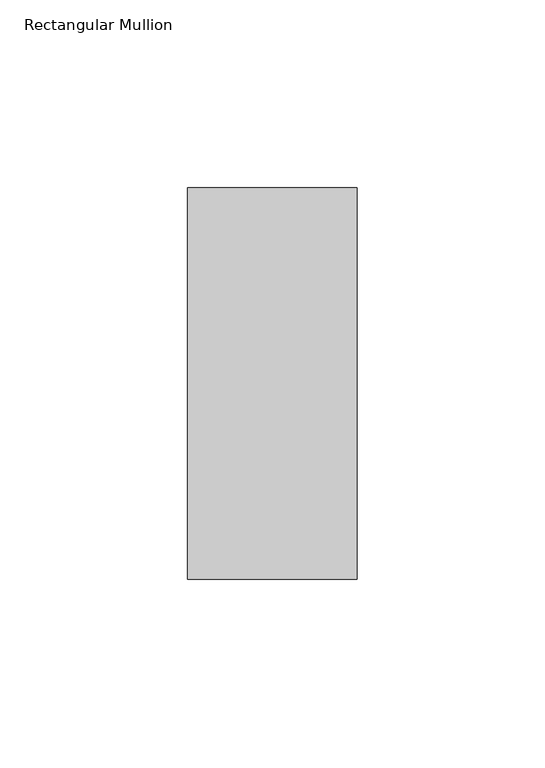
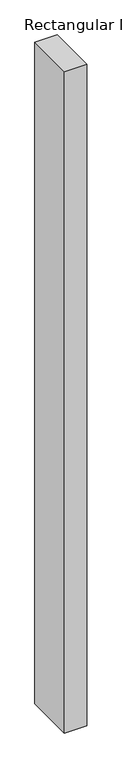
"""IFC4 building model written with IfcOpenShell, lengths in millimetres: member geometry, Rectangular Mullion."""

import ifcopenshell
import ifcopenshell.guid

model = None  # the IFC model being written
_history = None  # IfcOwnerHistory: only IFC2X3 demands one
_inside = {}  # id of a spatial element -> (the spatial element, [elements in it])
_under = {}  # id of a project, library or spatial element -> (it, [spatial elements below it])
_declared = {}  # id of a project -> (the project, [libraries it declares])
_typed = {}  # id of a type object -> (the type object, [elements of that type])
_made_of = {}  # id of a material, layer set ... -> (it, [elements and type objects made of it])


def new_model(schema):
    """Start an empty IFC model of exactly this schema.

    Asked for "IFC4X3", IfcOpenShell would pick the latest addendum, in which some entities
    have other attributes; the version numbers below select the first issue.
    IFC2X3 requires an IfcOwnerHistory on every rooted entity: one is made here for all.
    """
    global model, _history
    if schema == "IFC4X3":
        model = ifcopenshell.file(schema_version=(4, 3, 0, 0))
    else:
        model = ifcopenshell.file(schema=schema)
    _inside.clear()
    _under.clear()
    _declared.clear()
    _typed.clear()
    _made_of.clear()
    _history = None
    if model.schema == "IFC2X3":
        org = make("IfcOrganization", Name="unknown")
        user = make(
            "IfcPersonAndOrganization",
            ThePerson=make("IfcPerson", FamilyName="unknown"),
            TheOrganization=org,
        )
        app = make(
            "IfcApplication",
            ApplicationDeveloper=org,
            Version="unknown",
            ApplicationFullName="unknown",
            ApplicationIdentifier="unknown",
        )
        _history = make(
            "IfcOwnerHistory",
            OwningUser=user,
            OwningApplication=app,
            ChangeAction="ADDED",
            CreationDate=0,
        )
    return model


def make(cls, **values):
    """One entity of the class cls with the attributes given. An attribute that is None is left unset."""
    return model.create_entity(
        cls, **{name: value for name, value in values.items() if value is not None}
    )


def rooted(cls, **values):
    """An entity with a GlobalId (a new one), such as an element, a storey or a relation."""
    return make(cls, GlobalId=ifcopenshell.guid.new(), OwnerHistory=_history, **values)


def si_unit(unit_type, name, prefix=None):
    """IfcSIUnit, for example si_unit("LENGTHUNIT", "METRE", prefix="MILLI")."""
    return make("IfcSIUnit", UnitType=unit_type, Prefix=prefix, Name=name)


def assignment(units):
    """IfcUnitAssignment: the units of a project."""
    return None if units is None else make("IfcUnitAssignment", Units=units)


def point(xyz):
    """IfcCartesianPoint."""
    return None if xyz is None else make("IfcCartesianPoint", Coordinates=xyz)


def direction(xyz):
    """IfcDirection."""
    return None if xyz is None else make("IfcDirection", DirectionRatios=xyz)


def frame(location, z_axis=None, x_axis=None):
    """IfcAxis2Placement3D, a coordinate frame: its origin and axes. An axis left out is left unset."""
    return make(
        "IfcAxis2Placement3D",
        Location=point(location),
        Axis=direction(z_axis),
        RefDirection=direction(x_axis),
    )


def origin():
    """The frame at (0, 0, 0) with its axes left unset."""
    return frame((0.0, 0.0, 0.0))


def place(relative_to, where):
    """IfcLocalPlacement: puts the frame where relative to a parent placement (None: the world)."""
    return make(
        "IfcLocalPlacement", PlacementRelTo=relative_to, RelativePlacement=where
    )


def context(
    kind, dimensions, precision=None, world=None, true_north=None, identifier=None
):
    """IfcGeometricRepresentationContext, for example the 3D "Model" context."""
    return make(
        "IfcGeometricRepresentationContext",
        ContextIdentifier=identifier,
        ContextType=kind,
        CoordinateSpaceDimension=dimensions,
        Precision=precision,
        WorldCoordinateSystem=world,
        TrueNorth=true_north,
    )


def project(units=None, contexts=None):
    """IfcProject with its units and contexts."""
    return rooted(
        "IfcProject",
        Name="project",
        RepresentationContexts=contexts,
        UnitsInContext=assignment(units),
    )


def spatial(cls, under=None, at=None, **own):
    """A site, building, storey or space (cls), placed at a placement, below another one or the project."""
    s = rooted(cls, ObjectPlacement=at, **own)
    if under is not None:
        _under.setdefault(under.id(), (under, []))[1].append(s)
    return s


def polyline(points):
    """IfcPolyline through the points."""
    return make("IfcPolyline", Points=[point(p) for p in points])


def outline(outer, holes=None, kind="AREA"):
    """IfcArbitraryClosedProfileDef: a profile drawn as a closed curve; with holes, ...WithVoids."""
    if holes is None:
        return make("IfcArbitraryClosedProfileDef", ProfileType=kind, OuterCurve=outer)
    return make(
        "IfcArbitraryProfileDefWithVoids",
        ProfileType=kind,
        OuterCurve=outer,
        InnerCurves=holes,
    )


def extrude(swept, where, along, depth):
    """IfcExtrudedAreaSolid: the profile swept, set in the frame where, extruded along a direction by depth."""
    return make(
        "IfcExtrudedAreaSolid",
        SweptArea=swept,
        Position=where,
        ExtrudedDirection=direction(along),
        Depth=depth,
    )


def shape(context_of_items, identifier, shape_type, items):
    """IfcShapeRepresentation: the items that make up one representation, for example the "Body"."""
    return make(
        "IfcShapeRepresentation",
        ContextOfItems=context_of_items,
        RepresentationIdentifier=identifier,
        RepresentationType=shape_type,
        Items=items,
    )


def source(mapping_origin, context_of_items, identifier, shape_type, items):
    """IfcRepresentationMap: a shape defined once, which mapped items show again and again."""
    return make(
        "IfcRepresentationMap",
        MappingOrigin=mapping_origin,
        MappedRepresentation=shape(context_of_items, identifier, shape_type, items),
    )


def transform(
    local_origin,
    x_axis=None,
    y_axis=None,
    z_axis=None,
    scale=None,
    scale2=None,
    scale3=None,
    uniform=True,
):
    """IfcCartesianTransformationOperator3D, or its non-uniform kind. x_axis, y_axis, z_axis: its Axis1, 2, 3."""
    if uniform:
        return make(
            "IfcCartesianTransformationOperator3D",
            Axis1=direction(x_axis),
            Axis2=direction(y_axis),
            LocalOrigin=point(local_origin),
            Scale=scale,
            Axis3=direction(z_axis),
        )
    return make(
        "IfcCartesianTransformationOperator3DnonUniform",
        Axis1=direction(x_axis),
        Axis2=direction(y_axis),
        LocalOrigin=point(local_origin),
        Scale=scale,
        Axis3=direction(z_axis),
        Scale2=scale2,
        Scale3=scale3,
    )


def mapped(mapping_source, mapping_target):
    """IfcMappedItem: shows the shape of a source again, moved by a transform."""
    return make(
        "IfcMappedItem", MappingSource=mapping_source, MappingTarget=mapping_target
    )


def made_of(thing, what):
    """Note that an element or type object is made of a material, layer set ...; save() writes the relation."""
    if what is not None:
        _made_of.setdefault(what.id(), (what, []))[1].append(thing)
    return thing


def element(
    cls,
    number,
    at=None,
    inside=None,
    cuts=None,
    type_object=None,
    material=None,
    context=None,
    identifier="Body",
    shape_type=None,
    held_by="IfcProductDefinitionShape",
    body=None,
    shapes=None,
    **own,
):
    """One element of the class cls, such as IfcWall. Its Tag is "e" and its number.

    at: its placement. inside: the storey or other place that contains it. cuts: it is an
    opening in that element (IfcRelVoidsElement). A single representation is given by context,
    identifier, shape_type and body (its items); several are given by shapes. held_by: the class
    of the entity that holds the representations. save() writes the other relations.
    """
    e = rooted(cls, Tag="e%d" % number, ObjectPlacement=at, **own)
    if body is not None:
        shapes = [shape(context, identifier, shape_type, body)]
    if shapes is not None:
        e.Representation = make(held_by, Representations=shapes)
    if inside is not None:
        _inside.setdefault(inside.id(), (inside, []))[1].append(e)
    if cuts is not None:
        rooted(
            "IfcRelVoidsElement", RelatingBuildingElement=cuts, RelatedOpeningElement=e
        )
    if type_object is not None:
        _typed.setdefault(type_object.id(), (type_object, []))[1].append(e)
    return made_of(e, material)


def aggregate(whole, parts):
    """IfcRelAggregates: a whole, such as a stair, and the parts it consists of."""
    return rooted("IfcRelAggregates", RelatingObject=whole, RelatedObjects=parts)


def save(model, path):
    """Write the relations noted so far, then the file.

    IfcRelAggregates (storeys below a building ...), IfcRelContainedInSpatialStructure (elements
    in a storey), IfcRelDefinesByType, IfcRelAssociatesMaterial and IfcRelDeclares: one each for
    every whole, place, type object, material and project.
    """
    for whole, parts in _under.values():
        aggregate(whole, parts)
    for where, things in _inside.values():
        rooted(
            "IfcRelContainedInSpatialStructure",
            RelatedElements=things,
            RelatingStructure=where,
        )
    for kind, things in _typed.values():
        rooted("IfcRelDefinesByType", RelatedObjects=things, RelatingType=kind)
    for what, things in _made_of.values():
        rooted("IfcRelAssociatesMaterial", RelatedObjects=things, RelatingMaterial=what)
    for by, libraries in _declared.values():
        rooted("IfcRelDeclares", RelatingContext=by, RelatedDefinitions=libraries)
    model.write(path)


def rectangular_mullion_baa1d746(model_context):
    return source(origin(), model_context, "Body", "SweptSolid", [
        extrude(outline(polyline([(-45.0, 67.525), (0.0, 67.525), (0.0, -36.525), (-45.0, -36.525), (-45.0, 67.525)])), frame((0.0, 0.0, -1420.0164899), z_axis=(0.0, 0.0, 1.0), x_axis=(1.0, 0.0, 0.0)), (0.0, 0.0, 1.0), 1420.0164899),
    ])


if __name__ == "__main__":
    model = new_model("IFC4")
    model_context = context("Model", 3, world=origin())
    ifc_project = project(units=[si_unit("LENGTHUNIT", "METRE", prefix="MILLI")], contexts=[model_context])
    site = spatial("IfcSite", under=ifc_project)
    building = spatial("IfcBuilding", under=site)
    placement = place(None, origin())
    rectangular_mullion_shape = rectangular_mullion_baa1d746(model_context)
    element("IfcMember", 1, ObjectType="Rectangular Mullion", at=placement, inside=building, context=model_context, shape_type="MappedRepresentation", body=[
        mapped(rectangular_mullion_shape, transform((0.0, 0.0, 0.0), x_axis=(1.0, 0.0, 0.0), y_axis=(0.0, 1.0, 0.0), z_axis=(0.0, 0.0, 1.0))),
    ])
    save(model, "model.ifc")
